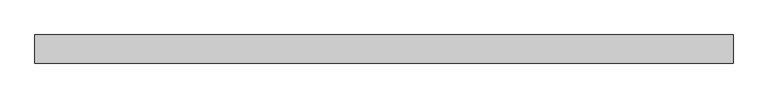
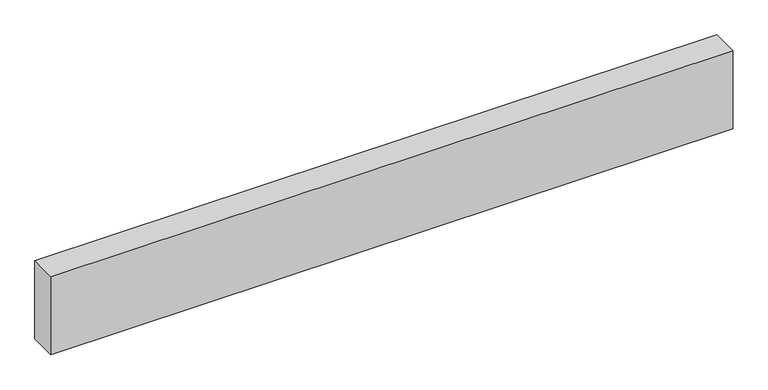
"""IFC4 building model written with IfcOpenShell, lengths in millimetres: proxy geometry."""

from ifc_helpers import new_model, si_unit, origin, origin_with_axes, place, context, project, spatial, polyline, outline, extrude, source, transform, mapped, element, save


def generic_models_0e7b56c9(model_context):
    return source(origin(), model_context, "Body", "SweptSolid", [
        extrude(outline(polyline([(2483.2021432, 0.0), (2483.2021432, -100.0), (0.0, -100.0), (0.0, 0.0), (2483.2021432, 0.0)])), origin_with_axes(), (0.0, 0.0, 1.0), 300.0),
    ])


if __name__ == "__main__":
    model = new_model("IFC4")
    model_context = context("Model", 3, world=origin())
    ifc_project = project(units=[si_unit("LENGTHUNIT", "METRE", prefix="MILLI")], contexts=[model_context])
    site = spatial("IfcSite", under=ifc_project)
    building = spatial("IfcBuilding", under=site)
    placement = place(None, origin())
    generic_models_shape = generic_models_0e7b56c9(model_context)
    element("IfcBuildingElementProxy", 1, Name="Generic Models", at=placement, inside=building, context=model_context, shape_type="MappedRepresentation", body=[
        mapped(generic_models_shape, transform((0.0, 0.0, 0.0), x_axis=(1.0, 0.0, 0.0), y_axis=(0.0, 1.0, 0.0), z_axis=(0.0, 0.0, 1.0))),
    ])
    save(model, "model.ifc")
